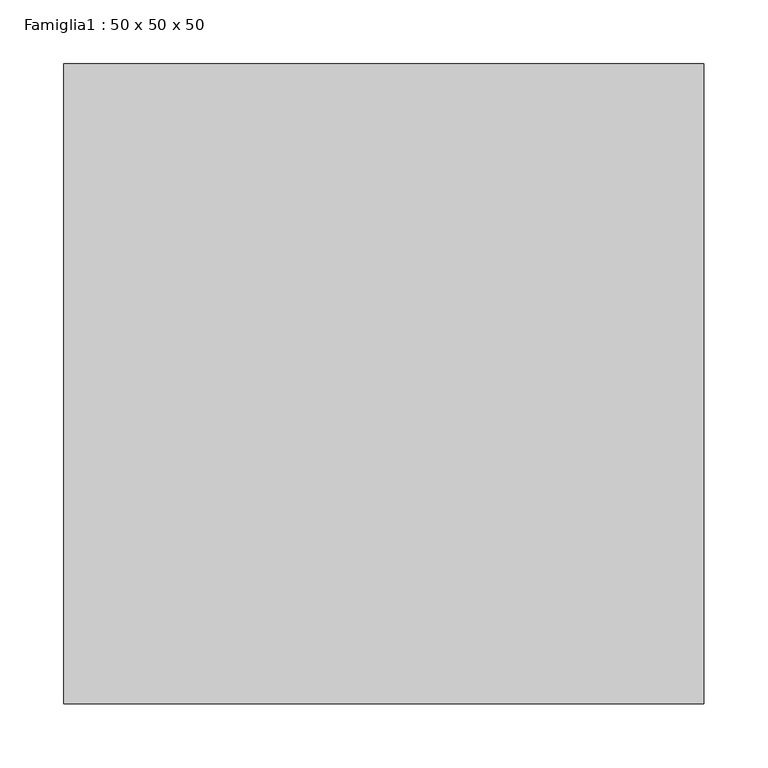
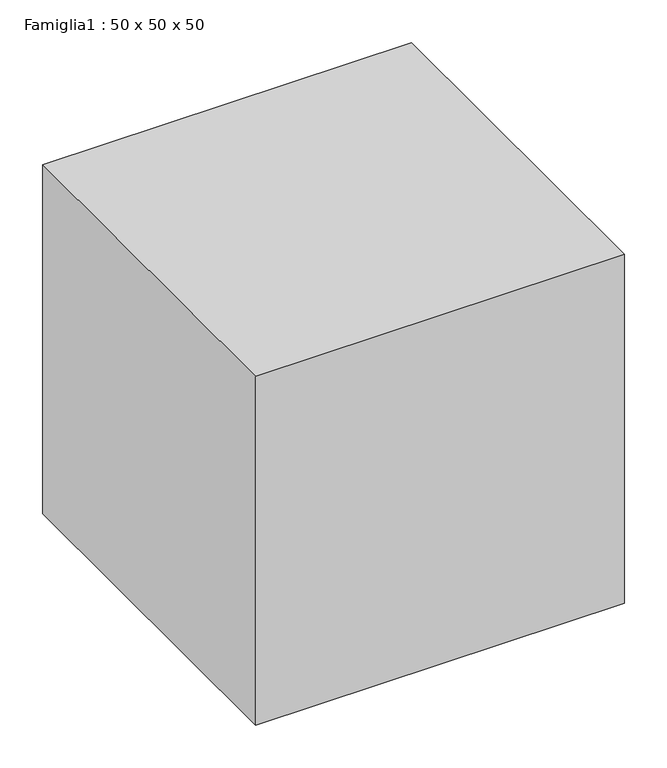
"""IFC4 building model written with IfcOpenShell, lengths in millimetres: proxy geometry, Famiglia1 : 50 x 50 x 50."""

from ifc_helpers import new_model, si_unit, origin, origin_with_axes, place, context, project, spatial, polyline, outline, extrude, source, transform, mapped, element, save


def famiglia1_50_x_50_x_50_550e6623(model_context):
    return source(origin(), model_context, "Body", "SweptSolid", [
        extrude(outline(polyline([(0.0, 0.0), (0.0, 500.0), (500.0, 500.0), (500.0, 0.0), (0.0, 0.0)])), origin_with_axes(), (0.0, 0.0, 1.0), 500.0),
    ])


if __name__ == "__main__":
    model = new_model("IFC4")
    model_context = context("Model", 3, world=origin())
    ifc_project = project(units=[si_unit("LENGTHUNIT", "METRE", prefix="MILLI")], contexts=[model_context])
    site = spatial("IfcSite", under=ifc_project)
    building = spatial("IfcBuilding", under=site)
    placement = place(None, origin())
    famiglia1_50_x_50_x_50_shape = famiglia1_50_x_50_x_50_550e6623(model_context)
    element("IfcBuildingElementProxy", 1, Name="Famiglia1 : 50 x 50 x 50", ObjectType="Famiglia1 : 50 x 50 x 50", at=placement, inside=building, context=model_context, shape_type="MappedRepresentation", body=[
        mapped(famiglia1_50_x_50_x_50_shape, transform((0.0, 0.0, 0.0), x_axis=(1.0, 0.0, 0.0), y_axis=(0.0, 1.0, 0.0), z_axis=(0.0, 0.0, 1.0))),
    ])
    save(model, "model.ifc")
